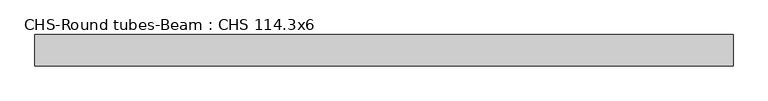
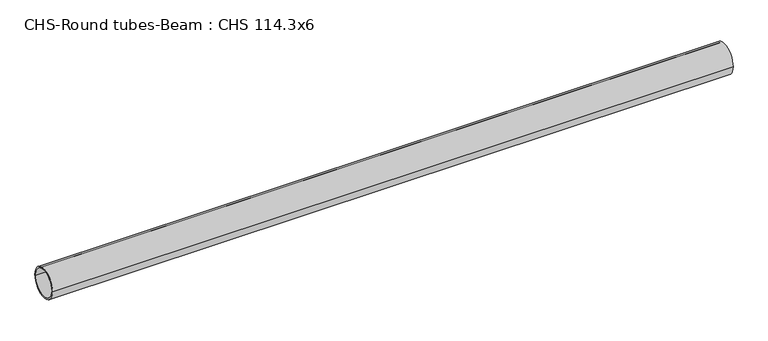
"""IFC4 building model written with IfcOpenShell, lengths in millimetres: beam geometry, CHS-Round tubes-Beam : CHS 114.3x6."""

from ifc_helpers import new_model, si_unit, point, frame, origin, origin_2d, place, context, project, spatial, circle_curve, trimmed, segment, composite_curve, outline, extrude, source, transform, mapped, element, save


def chs_round_tubes_beam_chs_114_3x6_364305b4(model_context):
    return source(origin(), model_context, "Body", "SweptSolid", [
        extrude(outline(composite_curve([segment(trimmed(circle_curve(origin_2d(), 57.15), [point((57.15, 0.0))], [point((-57.15, 0.0))], False, "CARTESIAN"), True, "CONTINUOUS"), segment(trimmed(circle_curve(origin_2d(), 57.15), [point((-57.15, 0.0))], [point((57.15, 0.0))], False, "CARTESIAN"), True, "CONTINUOUS")], self_intersect=False), holes=[composite_curve([segment(trimmed(circle_curve(origin_2d(), 51.15), [point((51.15, 0.0))], [point((-51.15, 0.0))], True, "CARTESIAN"), True, "CONTINUOUS"), segment(trimmed(circle_curve(origin_2d(), 51.15), [point((-51.15, 0.0))], [point((51.15, 0.0))], True, "CARTESIAN"), True, "CONTINUOUS")], self_intersect=False)]), frame((-1210.2852377, 0.0, 0.0), z_axis=(1.0, 0.0, 0.0), x_axis=(0.0, 1.0, 0.0)), (0.0, 0.0, 1.0), 2555.7754875),
    ])


if __name__ == "__main__":
    model = new_model("IFC4")
    model_context = context("Model", 3, world=origin())
    ifc_project = project(units=[si_unit("LENGTHUNIT", "METRE", prefix="MILLI")], contexts=[model_context])
    site = spatial("IfcSite", under=ifc_project)
    building = spatial("IfcBuilding", under=site)
    placement = place(None, origin())
    chs_round_tubes_beam_chs_114_3x6_shape = chs_round_tubes_beam_chs_114_3x6_364305b4(model_context)
    element("IfcBeam", 1, ObjectType="CHS-Round tubes-Beam : CHS 114.3x6", at=placement, inside=building, context=model_context, shape_type="MappedRepresentation", body=[
        mapped(chs_round_tubes_beam_chs_114_3x6_shape, transform((0.0, 0.0, 0.0), x_axis=(1.0, 0.0, 0.0), y_axis=(0.0, 1.0, 0.0), z_axis=(0.0, 0.0, 1.0))),
    ])
    save(model, "model.ifc")
